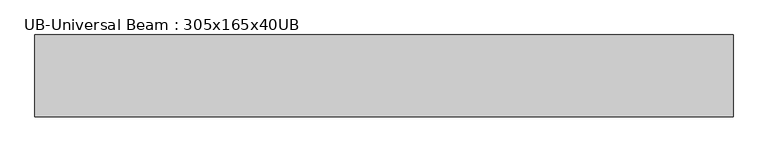
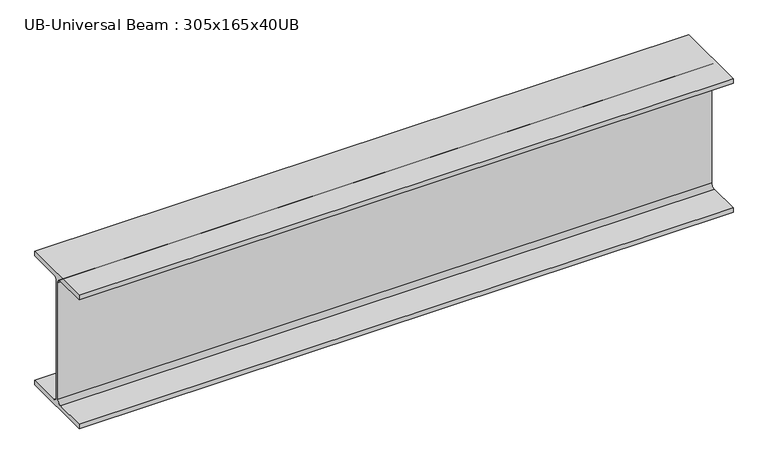
"""IFC4 building model written with IfcOpenShell, lengths in millimetres: beam geometry, UB-Universal Beam : 305x165x40UB."""

from ifc_helpers import new_model, si_unit, point, frame, frame_2d, origin, place, context, project, spatial, polyline, circle_curve, trimmed, segment, composite_curve, outline, extrude, source, transform, mapped, element, save


def ub_universal_beam_305x165x40ub_686c2b33(model_context):
    return source(origin(), model_context, "Body", "SweptSolid", [
        extrude(outline(composite_curve([segment(polyline([(82.5, -141.5), (82.5, -151.7), (-82.5, -151.7), (-82.5, -141.5), (-11.9, -141.5)]), True, "CONTINUOUS"), segment(trimmed(circle_curve(frame_2d((-11.9, -132.6)), 8.9), [point((-11.9, -141.5))], [point((-3.0, -132.6))], True, "CARTESIAN"), True, "CONTINUOUS"), segment(polyline([(-3.0, -132.6), (-3.0, 132.6)]), True, "CONTINUOUS"), segment(trimmed(circle_curve(frame_2d((-11.9, 132.6)), 8.9), [point((-3.0, 132.6))], [point((-11.9, 141.5))], True, "CARTESIAN"), True, "CONTINUOUS"), segment(polyline([(-11.9, 141.5), (-82.5, 141.5), (-82.5, 151.7), (82.5, 151.7), (82.5, 141.5), (11.9, 141.5)]), True, "CONTINUOUS"), segment(trimmed(circle_curve(frame_2d((11.9, 132.6)), 8.9), [point((11.9, 141.5))], [point((3.0, 132.6))], True, "CARTESIAN"), True, "CONTINUOUS"), segment(polyline([(3.0, 132.6), (3.0, -132.6)]), True, "CONTINUOUS"), segment(trimmed(circle_curve(frame_2d((11.9, -132.6)), 8.9), [point((3.0, -132.6))], [point((11.9, -141.5))], True, "CARTESIAN"), True, "CONTINUOUS"), segment(polyline([(11.9, -141.5), (82.5, -141.5)]), True, "CONTINUOUS")], self_intersect=False)), frame((-704.8, 0.0, 0.0), z_axis=(1.0, 0.0, 0.0), x_axis=(0.0, 1.0, 0.0)), (0.0, 0.0, 1.0), 1405.5),
    ])


if __name__ == "__main__":
    model = new_model("IFC4")
    model_context = context("Model", 3, world=origin())
    ifc_project = project(units=[si_unit("LENGTHUNIT", "METRE", prefix="MILLI")], contexts=[model_context])
    site = spatial("IfcSite", under=ifc_project)
    building = spatial("IfcBuilding", under=site)
    placement = place(None, origin())
    ub_universal_beam_305x165x40ub_shape = ub_universal_beam_305x165x40ub_686c2b33(model_context)
    element("IfcBeam", 1, ObjectType="UB-Universal Beam : 305x165x40UB", at=placement, inside=building, context=model_context, shape_type="MappedRepresentation", body=[
        mapped(ub_universal_beam_305x165x40ub_shape, transform((0.0, 0.0, 0.0), x_axis=(1.0, 0.0, 0.0), y_axis=(0.0, 1.0, 0.0), z_axis=(0.0, 0.0, 1.0))),
    ])
    save(model, "model.ifc")
